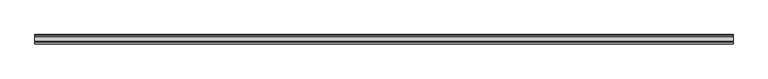
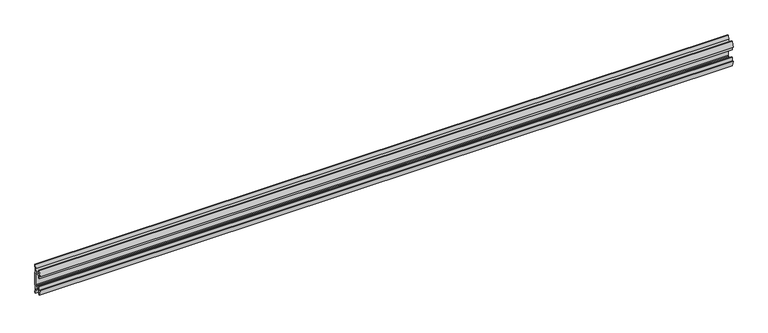
"""IFC4 building model written with IfcOpenShell, lengths in millimetres: furniture geometry."""

from ifc_helpers import new_model, si_unit, point, frame, frame_2d, origin, place, context, project, spatial, polyline, circle_curve, trimmed, segment, composite_curve, outline, extrude, source, transform, mapped, element, save


def furniture_a829292b(model_context):
    return source(origin(), model_context, "Body", "SweptSolid", [
        extrude(outline(composite_curve([segment(polyline([(11.858323, 898.0845986), (10.7166987, 892.1251626)]), True, "CONTINUOUS"), segment(trimmed(circle_curve(frame_2d((88.1501042, 877.291568)), 78.8414093), [point((10.7166987, 892.1251626))], [point((9.4546262, 882.0863112))], True, "CARTESIAN"), True, "CONTINUOUS"), segment(polyline([(9.4546262, 882.0863112), (11.4773198, 880.0636177), (11.4773198, 847.1363823), (9.4546262, 845.1136888)]), True, "CONTINUOUS"), segment(trimmed(circle_curve(frame_2d((88.1501042, 849.908432)), 78.8414093), [point((9.4546262, 845.1136888))], [point((10.7166987, 835.0748374))], True, "CARTESIAN"), True, "CONTINUOUS"), segment(polyline([(10.7166987, 835.0748374), (11.858323, 829.1154014), (11.858323, 825.5006449), (9.3183016, 825.5006449), (7.5671861, 834.641709), (6.9977776, 841.3354675), (-5.9218281, 841.3354675), (-5.9218281, 830.7705449), (-8.4618484, 830.7705449), (-11.7914971, 844.2790462), (-8.4618484, 843.2801511), (-8.4618484, 852.8052306), (-5.9218281, 852.8052306), (-5.9218281, 843.915155), (6.7782802, 843.915155), (6.7782802, 846.469689), (8.8976323, 848.3120136), (8.8976323, 878.8910348), (6.7782802, 880.7454685), (-5.2868484, 880.7454685), (-5.2868484, 874.3954144), (-8.4618484, 874.3954144), (-8.4618484, 883.9204939), (-11.858323, 882.6504837), (-8.4618484, 896.4301), (-5.2868484, 896.4301), (-5.2868484, 883.2854899), (6.7782802, 883.2854899), (7.5671861, 892.5595809), (9.3183016, 901.7006449), (11.858323, 901.7006449), (11.858323, 898.0845986)]), True, "CONTINUOUS")], self_intersect=False)), frame((-889.0, 0.0, 0.0), z_axis=(1.0, 0.0, 0.0), x_axis=(0.0, 1.0, 0.0)), (0.0, 0.0, 1.0), 1778.0),
    ])


if __name__ == "__main__":
    model = new_model("IFC4")
    model_context = context("Model", 3, world=origin())
    ifc_project = project(units=[si_unit("LENGTHUNIT", "METRE", prefix="MILLI")], contexts=[model_context])
    site = spatial("IfcSite", under=ifc_project)
    building = spatial("IfcBuilding", under=site)
    placement = place(None, origin())
    furniture_shape = furniture_a829292b(model_context)
    element("IfcFurniture", 1, at=placement, inside=building, context=model_context, shape_type="MappedRepresentation", body=[
        mapped(furniture_shape, transform((0.0, 0.0, 0.0), x_axis=(1.0, 0.0, 0.0), y_axis=(0.0, 1.0, 0.0), z_axis=(0.0, 0.0, 1.0))),
    ])
    save(model, "model.ifc")
